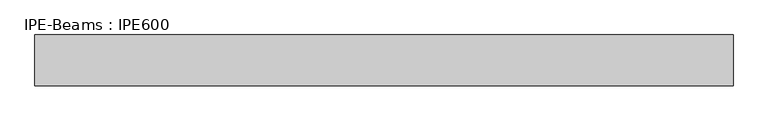
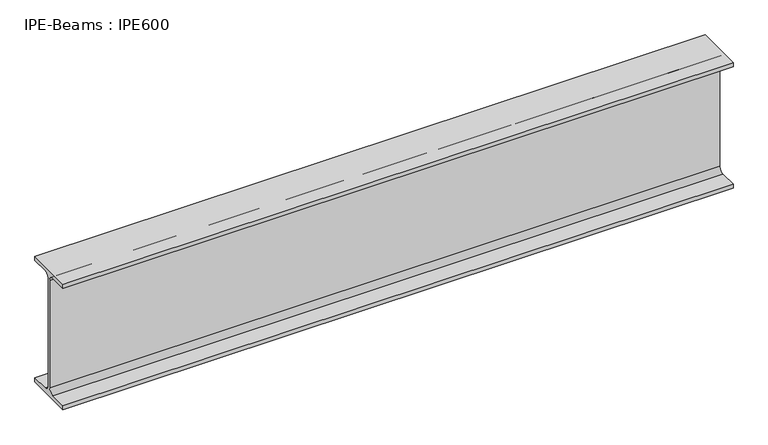
"""IFC4 building model written with IfcOpenShell, lengths in millimetres: beam geometry, IPE-Beams : IPE600."""

from ifc_helpers import new_model, si_unit, point, frame, frame_2d, origin, place, context, project, spatial, polyline, circle_curve, trimmed, segment, composite_curve, outline, extrude, source, transform, mapped, element, save


def ipe_beams_ipe600_c366e266(model_context):
    return source(origin(), model_context, "Body", "SweptSolid", [
        extrude(outline(composite_curve([segment(polyline([(110.0, -281.0), (110.0, -300.0), (-110.0, -300.0), (-110.0, -281.0), (-30.0, -281.0)]), True, "CONTINUOUS"), segment(trimmed(circle_curve(frame_2d((-30.0, -257.0)), 24.0), [point((-30.0, -281.0))], [point((-6.0, -257.0))], True, "CARTESIAN"), True, "CONTINUOUS"), segment(polyline([(-6.0, -257.0), (-6.0, 257.0)]), True, "CONTINUOUS"), segment(trimmed(circle_curve(frame_2d((-30.0, 257.0)), 24.0), [point((-6.0, 257.0))], [point((-30.0, 281.0))], True, "CARTESIAN"), True, "CONTINUOUS"), segment(polyline([(-30.0, 281.0), (-110.0, 281.0), (-110.0, 300.0), (110.0, 300.0), (110.0, 281.0), (30.0, 281.0)]), True, "CONTINUOUS"), segment(trimmed(circle_curve(frame_2d((30.0, 257.0)), 24.0), [point((30.0, 281.0))], [point((6.0, 257.0))], True, "CARTESIAN"), True, "CONTINUOUS"), segment(polyline([(6.0, 257.0), (6.0, -257.0)]), True, "CONTINUOUS"), segment(trimmed(circle_curve(frame_2d((30.0, -257.0)), 24.0), [point((6.0, -257.0))], [point((30.0, -281.0))], True, "CARTESIAN"), True, "CONTINUOUS"), segment(polyline([(30.0, -281.0), (110.0, -281.0)]), True, "CONTINUOUS")], self_intersect=False)), frame((-1520.0, 0.0, 0.0), z_axis=(1.0, 0.0, 0.0), x_axis=(0.0, 1.0, 0.0)), (0.0, 0.0, 1.0), 3030.0),
    ])


if __name__ == "__main__":
    model = new_model("IFC4")
    model_context = context("Model", 3, world=origin())
    ifc_project = project(units=[si_unit("LENGTHUNIT", "METRE", prefix="MILLI")], contexts=[model_context])
    site = spatial("IfcSite", under=ifc_project)
    building = spatial("IfcBuilding", under=site)
    placement = place(None, origin())
    ipe_beams_ipe600_shape = ipe_beams_ipe600_c366e266(model_context)
    element("IfcBeam", 1, ObjectType="IPE-Beams : IPE600", at=placement, inside=building, context=model_context, shape_type="MappedRepresentation", body=[
        mapped(ipe_beams_ipe600_shape, transform((0.0, 0.0, 0.0), x_axis=(1.0, 0.0, 0.0), y_axis=(0.0, 1.0, 0.0), z_axis=(0.0, 0.0, 1.0))),
    ])
    save(model, "model.ifc")
